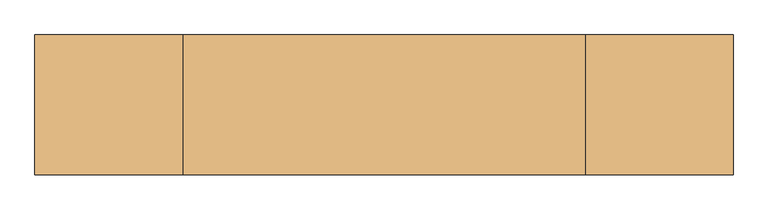
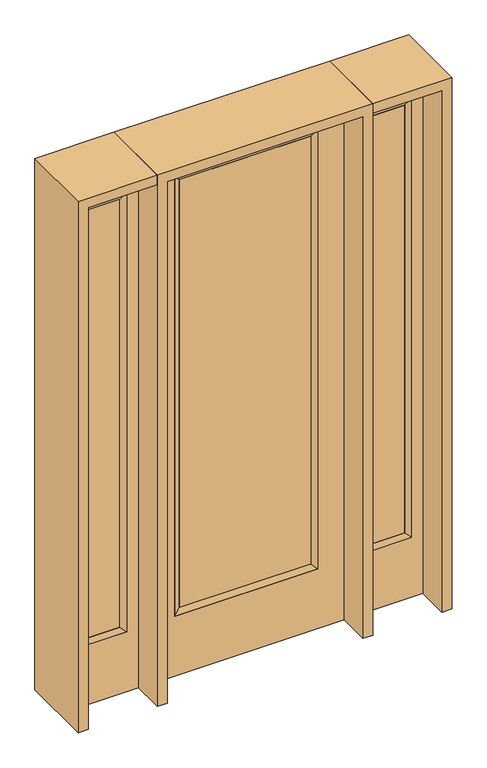
"""IFC4 building model written with IfcOpenShell, lengths in millimetres: door geometry."""

from ifc_helpers import new_model, si_unit, frame, origin, place, context, project, spatial, polyline, outline, extrude, faceted_brep, source, transform, mapped, element, save


def door_3cb1c083(model_context):
    return source(origin(), model_context, "Body", "SolidModel", [
        extrude(outline(polyline([(290.9824, -12.7039749), (-290.9824, -12.7039749), (-290.9824, 14.2875), (290.9824, 14.2875), (290.9824, -12.7039749)])), frame((0.0, 0.0, 304.8), z_axis=(0.0, 0.0, 1.0), x_axis=(1.0, 0.0, 0.0)), (0.0, 0.0, 1.0), 2000.25),
        faceted_brep([(290.9824, 14.2875, 2305.05), (316.3824, 22.225, 2330.45), (316.3824, 22.225, 279.4), (290.9824, 14.2875, 304.8), (316.3824, -22.225, 2330.45), (316.3824, -22.225, 279.4), (-316.3824, 22.225, 279.4), (-290.9824, 14.2875, 304.8), (290.9824, -12.7039749, 2305.05), (290.9824, -12.7039749, 304.8), (-290.9824, -12.7039749, 304.8), (-316.3824, -22.225, 279.4), (-316.3824, 22.225, 2330.45), (-290.9824, 14.2875, 2305.05), (-290.9824, -12.7039749, 2305.05), (-316.3824, -22.225, 2330.45)], [[[0, 1, 2, 3]], [[1, 4, 5, 2]], [[3, 2, 6, 7]], [[8, 0, 3, 9]], [[9, 3, 7, 10]], [[4, 8, 9, 5]], [[5, 9, 10, 11]], [[2, 5, 11, 6]], [[7, 6, 12, 13]], [[10, 7, 13, 14]], [[11, 10, 14, 15]], [[6, 11, 15, 12]], [[13, 12, 1, 0]], [[14, 13, 0, 8]], [[15, 14, 8, 4]], [[12, 15, 4, 1]]]),
        extrude(outline(polyline([(0.0, -431.8), (0.0, 431.8), (2438.4, 431.8), (2438.4, -431.8), (0.0, -431.8)]), holes=[polyline([(279.4, -316.3824), (2330.45, -316.3824), (2330.45, 316.3824), (279.4, 316.3824), (279.4, -316.3824)])]), frame((0.0, -22.225, 0.0), z_axis=(0.0, 1.0, 0.0), x_axis=(0.0, 0.0, 1.0)), (0.0, 0.0, 1.0), 44.45),
        faceted_brep([(527.05, 20.6375, 2330.45), (527.05, 20.6375, 279.4), (527.05, -20.6375, 279.4), (527.05, -20.6375, 2330.45), (552.45, -12.7, 304.8), (552.45, -12.7, 2305.05), (730.25, 20.6375, 279.4), (730.25, -20.6375, 279.4), (552.45, 12.7, 2305.05), (552.45, 12.7, 304.8), (704.85, 12.7, 304.8), (704.85, -12.7, 304.8), (730.25, 20.6375, 2330.45), (730.25, -20.6375, 2330.45), (704.85, 12.7, 2305.05), (704.85, -12.7, 2305.05)], [[[0, 1, 2, 3]], [[3, 2, 4, 5]], [[1, 6, 7, 2]], [[8, 9, 1, 0]], [[9, 10, 6, 1]], [[5, 4, 9, 8]], [[4, 11, 10, 9]], [[2, 7, 11, 4]], [[6, 12, 13, 7]], [[10, 14, 12, 6]], [[11, 15, 14, 10]], [[7, 13, 15, 11]], [[12, 0, 3, 13]], [[14, 8, 0, 12]], [[15, 5, 8, 14]], [[13, 3, 5, 15]]]),
        extrude(outline(polyline([(0.0, 781.05), (2438.4, 781.05), (2438.4, 476.25), (0.0, 476.25), (0.0, 781.05)]), holes=[polyline([(2330.45, 527.05), (2330.45, 730.25), (279.4, 730.25), (279.4, 527.05), (2330.45, 527.05)])]), frame((0.0, -20.6375, 0.0), z_axis=(0.0, 1.0, 0.0), x_axis=(0.0, 0.0, 1.0)), (0.0, 0.0, 1.0), 41.275),
        extrude(outline(polyline([(552.45, -12.7), (552.45, 12.7), (704.85, 12.7), (704.85, -12.7), (552.45, -12.7)])), frame((0.0, 0.0, 301.625), z_axis=(0.0, 0.0, 1.0), x_axis=(1.0, 0.0, 0.0)), (0.0, 0.0, 1.0), 2003.425),
        faceted_brep([(-527.05, 20.6375, 2330.45), (-527.05, -20.6375, 2330.45), (-527.05, -20.6375, 279.4), (-527.05, 20.6375, 279.4), (-552.45, -12.7, 2305.05), (-552.45, -12.7, 304.8), (-730.25, -20.6375, 279.4), (-730.25, 20.6375, 279.4), (-552.45, 12.7, 2305.05), (-552.45, 12.7, 304.8), (-704.85, 12.7, 304.8), (-704.85, -12.7, 304.8), (-730.25, -20.6375, 2330.45), (-730.25, 20.6375, 2330.45), (-704.85, 12.7, 2305.05), (-704.85, -12.7, 2305.05)], [[[0, 1, 2, 3]], [[1, 4, 5, 2]], [[3, 2, 6, 7]], [[8, 0, 3, 9]], [[9, 3, 7, 10]], [[4, 8, 9, 5]], [[5, 9, 10, 11]], [[2, 5, 11, 6]], [[7, 6, 12, 13]], [[10, 7, 13, 14]], [[11, 10, 14, 15]], [[6, 11, 15, 12]], [[13, 12, 1, 0]], [[14, 13, 0, 8]], [[15, 14, 8, 4]], [[12, 15, 4, 1]]]),
        extrude(outline(polyline([(0.0, -781.05), (0.0, -476.25), (2438.4, -476.25), (2438.4, -781.05), (0.0, -781.05)]), holes=[polyline([(2330.45, -527.05), (279.4, -527.05), (279.4, -730.25), (2330.45, -730.25), (2330.45, -527.05)])]), frame((0.0, -20.6375, 0.0), z_axis=(0.0, 1.0, 0.0), x_axis=(0.0, 0.0, 1.0)), (0.0, 0.0, 1.0), 41.275),
        extrude(outline(polyline([(-552.45, -12.7), (-704.85, -12.7), (-704.85, 12.7), (-552.45, 12.7), (-552.45, -12.7)])), frame((0.0, 0.0, 301.625), z_axis=(0.0, 0.0, 1.0), x_axis=(1.0, 0.0, 0.0)), (0.0, 0.0, 1.0), 2003.425),
        extrude(outline(polyline([(2438.4, -476.25), (2482.85, -476.25), (2482.85, -825.5), (0.0, -825.5), (0.0, -781.05), (2438.4, -781.05), (2438.4, -476.25)])), frame((0.0, -165.1, 0.0), z_axis=(0.0, 1.0, 0.0), x_axis=(0.0, 0.0, 1.0)), (0.0, 0.0, 1.0), 330.2),
        extrude(outline(polyline([(2482.85, -476.25), (0.0, -476.25), (0.0, -431.8), (2438.4, -431.8), (2438.4, 431.8), (0.0, 431.8), (0.0, 476.25), (2482.85, 476.25), (2482.85, -476.25)])), frame((0.0, -165.1, 0.0), z_axis=(0.0, 1.0, 0.0), x_axis=(0.0, 0.0, 1.0)), (0.0, 0.0, 1.0), 330.2),
        extrude(outline(polyline([(0.0, 781.05), (0.0, 825.5), (2482.85, 825.5), (2482.85, 476.25), (2438.4, 476.25), (2438.4, 781.05), (0.0, 781.05)])), frame((0.0, -165.1, 0.0), z_axis=(0.0, 1.0, 0.0), x_axis=(0.0, 0.0, 1.0)), (0.0, 0.0, 1.0), 330.2),
    ])


if __name__ == "__main__":
    model = new_model("IFC4")
    model_context = context("Model", 3, world=origin())
    ifc_project = project(units=[si_unit("LENGTHUNIT", "METRE", prefix="MILLI")], contexts=[model_context])
    site = spatial("IfcSite", under=ifc_project)
    building = spatial("IfcBuilding", under=site)
    placement = place(None, origin())
    door_shape = door_3cb1c083(model_context)
    element("IfcDoor", 1, at=placement, inside=building, context=model_context, shape_type="MappedRepresentation", body=[
        mapped(door_shape, transform((0.0, 0.0, 0.0), x_axis=(1.0, 0.0, 0.0), y_axis=(0.0, 1.0, 0.0), z_axis=(0.0, 0.0, 1.0))),
    ])
    save(model, "model.ifc")
